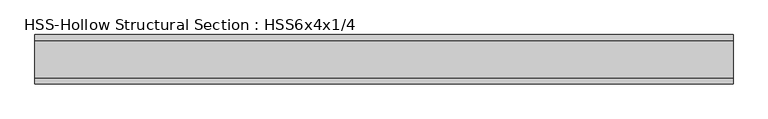
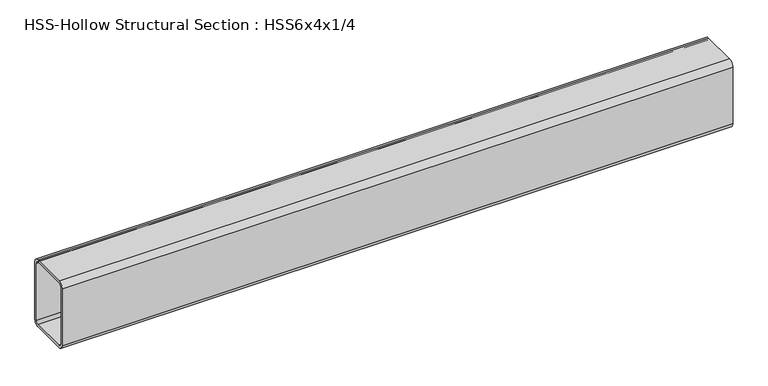
"""IFC4 building model written with IfcOpenShell, lengths in millimetres: beam geometry, HSS-Hollow Structural Section : HSS6x4x1/4."""

import ifcopenshell
import ifcopenshell.guid

model = None  # the IFC model being written
_history = None  # IfcOwnerHistory: only IFC2X3 demands one
_inside = {}  # id of a spatial element -> (the spatial element, [elements in it])
_under = {}  # id of a project, library or spatial element -> (it, [spatial elements below it])
_declared = {}  # id of a project -> (the project, [libraries it declares])
_typed = {}  # id of a type object -> (the type object, [elements of that type])
_made_of = {}  # id of a material, layer set ... -> (it, [elements and type objects made of it])


def new_model(schema):
    """Start an empty IFC model of exactly this schema.

    Asked for "IFC4X3", IfcOpenShell would pick the latest addendum, in which some entities
    have other attributes; the version numbers below select the first issue.
    IFC2X3 requires an IfcOwnerHistory on every rooted entity: one is made here for all.
    """
    global model, _history
    if schema == "IFC4X3":
        model = ifcopenshell.file(schema_version=(4, 3, 0, 0))
    else:
        model = ifcopenshell.file(schema=schema)
    _inside.clear()
    _under.clear()
    _declared.clear()
    _typed.clear()
    _made_of.clear()
    _history = None
    if model.schema == "IFC2X3":
        org = make("IfcOrganization", Name="unknown")
        user = make(
            "IfcPersonAndOrganization",
            ThePerson=make("IfcPerson", FamilyName="unknown"),
            TheOrganization=org,
        )
        app = make(
            "IfcApplication",
            ApplicationDeveloper=org,
            Version="unknown",
            ApplicationFullName="unknown",
            ApplicationIdentifier="unknown",
        )
        _history = make(
            "IfcOwnerHistory",
            OwningUser=user,
            OwningApplication=app,
            ChangeAction="ADDED",
            CreationDate=0,
        )
    return model


def make(cls, **values):
    """One entity of the class cls with the attributes given. An attribute that is None is left unset."""
    return model.create_entity(
        cls, **{name: value for name, value in values.items() if value is not None}
    )


def rooted(cls, **values):
    """An entity with a GlobalId (a new one), such as an element, a storey or a relation."""
    return make(cls, GlobalId=ifcopenshell.guid.new(), OwnerHistory=_history, **values)


def si_unit(unit_type, name, prefix=None):
    """IfcSIUnit, for example si_unit("LENGTHUNIT", "METRE", prefix="MILLI")."""
    return make("IfcSIUnit", UnitType=unit_type, Prefix=prefix, Name=name)


def assignment(units):
    """IfcUnitAssignment: the units of a project."""
    return None if units is None else make("IfcUnitAssignment", Units=units)


def point(xyz):
    """IfcCartesianPoint."""
    return None if xyz is None else make("IfcCartesianPoint", Coordinates=xyz)


def direction(xyz):
    """IfcDirection."""
    return None if xyz is None else make("IfcDirection", DirectionRatios=xyz)


def frame(location, z_axis=None, x_axis=None):
    """IfcAxis2Placement3D, a coordinate frame: its origin and axes. An axis left out is left unset."""
    return make(
        "IfcAxis2Placement3D",
        Location=point(location),
        Axis=direction(z_axis),
        RefDirection=direction(x_axis),
    )


def frame_2d(location, x_axis=None):
    """IfcAxis2Placement2D, a coordinate frame in the plane: its origin and x axis."""
    return make(
        "IfcAxis2Placement2D", Location=point(location), RefDirection=direction(x_axis)
    )


def origin():
    """The frame at (0, 0, 0) with its axes left unset."""
    return frame((0.0, 0.0, 0.0))


def place(relative_to, where):
    """IfcLocalPlacement: puts the frame where relative to a parent placement (None: the world)."""
    return make(
        "IfcLocalPlacement", PlacementRelTo=relative_to, RelativePlacement=where
    )


def context(
    kind, dimensions, precision=None, world=None, true_north=None, identifier=None
):
    """IfcGeometricRepresentationContext, for example the 3D "Model" context."""
    return make(
        "IfcGeometricRepresentationContext",
        ContextIdentifier=identifier,
        ContextType=kind,
        CoordinateSpaceDimension=dimensions,
        Precision=precision,
        WorldCoordinateSystem=world,
        TrueNorth=true_north,
    )


def project(units=None, contexts=None):
    """IfcProject with its units and contexts."""
    return rooted(
        "IfcProject",
        Name="project",
        RepresentationContexts=contexts,
        UnitsInContext=assignment(units),
    )


def spatial(cls, under=None, at=None, **own):
    """A site, building, storey or space (cls), placed at a placement, below another one or the project."""
    s = rooted(cls, ObjectPlacement=at, **own)
    if under is not None:
        _under.setdefault(under.id(), (under, []))[1].append(s)
    return s


def polyline(points):
    """IfcPolyline through the points."""
    return make("IfcPolyline", Points=[point(p) for p in points])


def circle_curve(where, radius):
    """IfcCircle in the frame where."""
    return make("IfcCircle", Position=where, Radius=radius)


def trimmed(basis, trim1, trim2, sense, master):
    """IfcTrimmedCurve: the piece of a basis curve between two trims."""
    return make(
        "IfcTrimmedCurve",
        BasisCurve=basis,
        Trim1=trim1,
        Trim2=trim2,
        SenseAgreement=sense,
        MasterRepresentation=master,
    )


def segment(curve, same_sense, transition):
    """IfcCompositeCurveSegment."""
    return make(
        "IfcCompositeCurveSegment",
        Transition=transition,
        SameSense=same_sense,
        ParentCurve=curve,
    )


def composite_curve(segments, self_intersect=None):
    """IfcCompositeCurve: segments joined end to end."""
    return make("IfcCompositeCurve", Segments=segments, SelfIntersect=self_intersect)


def outline(outer, holes=None, kind="AREA"):
    """IfcArbitraryClosedProfileDef: a profile drawn as a closed curve; with holes, ...WithVoids."""
    if holes is None:
        return make("IfcArbitraryClosedProfileDef", ProfileType=kind, OuterCurve=outer)
    return make(
        "IfcArbitraryProfileDefWithVoids",
        ProfileType=kind,
        OuterCurve=outer,
        InnerCurves=holes,
    )


def extrude(swept, where, along, depth):
    """IfcExtrudedAreaSolid: the profile swept, set in the frame where, extruded along a direction by depth."""
    return make(
        "IfcExtrudedAreaSolid",
        SweptArea=swept,
        Position=where,
        ExtrudedDirection=direction(along),
        Depth=depth,
    )


def shape(context_of_items, identifier, shape_type, items):
    """IfcShapeRepresentation: the items that make up one representation, for example the "Body"."""
    return make(
        "IfcShapeRepresentation",
        ContextOfItems=context_of_items,
        RepresentationIdentifier=identifier,
        RepresentationType=shape_type,
        Items=items,
    )


def source(mapping_origin, context_of_items, identifier, shape_type, items):
    """IfcRepresentationMap: a shape defined once, which mapped items show again and again."""
    return make(
        "IfcRepresentationMap",
        MappingOrigin=mapping_origin,
        MappedRepresentation=shape(context_of_items, identifier, shape_type, items),
    )


def transform(
    local_origin,
    x_axis=None,
    y_axis=None,
    z_axis=None,
    scale=None,
    scale2=None,
    scale3=None,
    uniform=True,
):
    """IfcCartesianTransformationOperator3D, or its non-uniform kind. x_axis, y_axis, z_axis: its Axis1, 2, 3."""
    if uniform:
        return make(
            "IfcCartesianTransformationOperator3D",
            Axis1=direction(x_axis),
            Axis2=direction(y_axis),
            LocalOrigin=point(local_origin),
            Scale=scale,
            Axis3=direction(z_axis),
        )
    return make(
        "IfcCartesianTransformationOperator3DnonUniform",
        Axis1=direction(x_axis),
        Axis2=direction(y_axis),
        LocalOrigin=point(local_origin),
        Scale=scale,
        Axis3=direction(z_axis),
        Scale2=scale2,
        Scale3=scale3,
    )


def mapped(mapping_source, mapping_target):
    """IfcMappedItem: shows the shape of a source again, moved by a transform."""
    return make(
        "IfcMappedItem", MappingSource=mapping_source, MappingTarget=mapping_target
    )


def made_of(thing, what):
    """Note that an element or type object is made of a material, layer set ...; save() writes the relation."""
    if what is not None:
        _made_of.setdefault(what.id(), (what, []))[1].append(thing)
    return thing


def element(
    cls,
    number,
    at=None,
    inside=None,
    cuts=None,
    type_object=None,
    material=None,
    context=None,
    identifier="Body",
    shape_type=None,
    held_by="IfcProductDefinitionShape",
    body=None,
    shapes=None,
    **own,
):
    """One element of the class cls, such as IfcWall. Its Tag is "e" and its number.

    at: its placement. inside: the storey or other place that contains it. cuts: it is an
    opening in that element (IfcRelVoidsElement). A single representation is given by context,
    identifier, shape_type and body (its items); several are given by shapes. held_by: the class
    of the entity that holds the representations. save() writes the other relations.
    """
    e = rooted(cls, Tag="e%d" % number, ObjectPlacement=at, **own)
    if body is not None:
        shapes = [shape(context, identifier, shape_type, body)]
    if shapes is not None:
        e.Representation = make(held_by, Representations=shapes)
    if inside is not None:
        _inside.setdefault(inside.id(), (inside, []))[1].append(e)
    if cuts is not None:
        rooted(
            "IfcRelVoidsElement", RelatingBuildingElement=cuts, RelatedOpeningElement=e
        )
    if type_object is not None:
        _typed.setdefault(type_object.id(), (type_object, []))[1].append(e)
    return made_of(e, material)


def aggregate(whole, parts):
    """IfcRelAggregates: a whole, such as a stair, and the parts it consists of."""
    return rooted("IfcRelAggregates", RelatingObject=whole, RelatedObjects=parts)


def save(model, path):
    """Write the relations noted so far, then the file.

    IfcRelAggregates (storeys below a building ...), IfcRelContainedInSpatialStructure (elements
    in a storey), IfcRelDefinesByType, IfcRelAssociatesMaterial and IfcRelDeclares: one each for
    every whole, place, type object, material and project.
    """
    for whole, parts in _under.values():
        aggregate(whole, parts)
    for where, things in _inside.values():
        rooted(
            "IfcRelContainedInSpatialStructure",
            RelatedElements=things,
            RelatingStructure=where,
        )
    for kind, things in _typed.values():
        rooted("IfcRelDefinesByType", RelatedObjects=things, RelatingType=kind)
    for what, things in _made_of.values():
        rooted("IfcRelAssociatesMaterial", RelatedObjects=things, RelatingMaterial=what)
    for by, libraries in _declared.values():
        rooted("IfcRelDeclares", RelatingContext=by, RelatedDefinitions=libraries)
    model.write(path)


def hss_hollow_structural_section_hss6x4x1_4_8cac66f6(model_context):
    return source(origin(), model_context, "Body", "SweptSolid", [
        extrude(outline(composite_curve([segment(polyline([(50.8, 64.3636), (50.8, -64.3636)]), True, "CONTINUOUS"), segment(trimmed(circle_curve(frame_2d((38.9636, -64.3636)), 11.8364), [point((50.8, -64.3636))], [point((38.9636, -76.2))], False, "CARTESIAN"), True, "CONTINUOUS"), segment(polyline([(38.9636, -76.2), (-38.9636, -76.2)]), True, "CONTINUOUS"), segment(trimmed(circle_curve(frame_2d((-38.9636, -64.3636)), 11.8364), [point((-38.9636, -76.2))], [point((-50.8, -64.3636))], False, "CARTESIAN"), True, "CONTINUOUS"), segment(polyline([(-50.8, -64.3636), (-50.8, 64.3636)]), True, "CONTINUOUS"), segment(trimmed(circle_curve(frame_2d((-38.9636, 64.3636)), 11.8364), [point((-50.8, 64.3636))], [point((-38.9636, 76.2))], False, "CARTESIAN"), True, "CONTINUOUS"), segment(polyline([(-38.9636, 76.2), (38.9636, 76.2)]), True, "CONTINUOUS"), segment(trimmed(circle_curve(frame_2d((38.9636, 64.3636)), 11.8364), [point((38.9636, 76.2))], [point((50.8, 64.3636))], False, "CARTESIAN"), True, "CONTINUOUS")], self_intersect=False), holes=[composite_curve([segment(trimmed(circle_curve(frame_2d((-38.9636, 64.3636)), 5.9182), [point((-38.9636, 70.2818))], [point((-44.8818, 64.3636))], True, "CARTESIAN"), True, "CONTINUOUS"), segment(polyline([(-44.8818, 64.3636), (-44.8818, -64.3636)]), True, "CONTINUOUS"), segment(trimmed(circle_curve(frame_2d((-38.9636, -64.3636)), 5.9182), [point((-44.8818, -64.3636))], [point((-38.9636, -70.2818))], True, "CARTESIAN"), True, "CONTINUOUS"), segment(polyline([(-38.9636, -70.2818), (38.9636, -70.2818)]), True, "CONTINUOUS"), segment(trimmed(circle_curve(frame_2d((38.9636, -64.3636)), 5.9182), [point((38.9636, -70.2818))], [point((44.8818, -64.3636))], True, "CARTESIAN"), True, "CONTINUOUS"), segment(polyline([(44.8818, -64.3636), (44.8818, 64.3636)]), True, "CONTINUOUS"), segment(trimmed(circle_curve(frame_2d((38.9636, 64.3636)), 5.9182), [point((44.8818, 64.3636))], [point((38.9636, 70.2818))], True, "CARTESIAN"), True, "CONTINUOUS"), segment(polyline([(38.9636, 70.2818), (-38.9636, 70.2818)]), True, "CONTINUOUS")], self_intersect=False)]), frame((-721.0062157, 0.0, 0.0), z_axis=(1.0, 0.0, 0.0), x_axis=(0.0, 1.0, 0.0)), (0.0, 0.0, 1.0), 1442.0124314),
    ])


if __name__ == "__main__":
    model = new_model("IFC4")
    model_context = context("Model", 3, world=origin())
    ifc_project = project(units=[si_unit("LENGTHUNIT", "METRE", prefix="MILLI")], contexts=[model_context])
    site = spatial("IfcSite", under=ifc_project)
    building = spatial("IfcBuilding", under=site)
    placement = place(None, origin())
    hss_hollow_structural_section_hss6x4x1_4_shape = hss_hollow_structural_section_hss6x4x1_4_8cac66f6(model_context)
    element("IfcBeam", 1, ObjectType="HSS-Hollow Structural Section : HSS6x4x1/4", at=placement, inside=building, context=model_context, shape_type="MappedRepresentation", body=[
        mapped(hss_hollow_structural_section_hss6x4x1_4_shape, transform((0.0, 0.0, 0.0), x_axis=(1.0, 0.0, 0.0), y_axis=(0.0, 1.0, 0.0), z_axis=(0.0, 0.0, 1.0))),
    ])
    save(model, "model.ifc")
